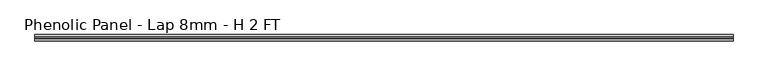
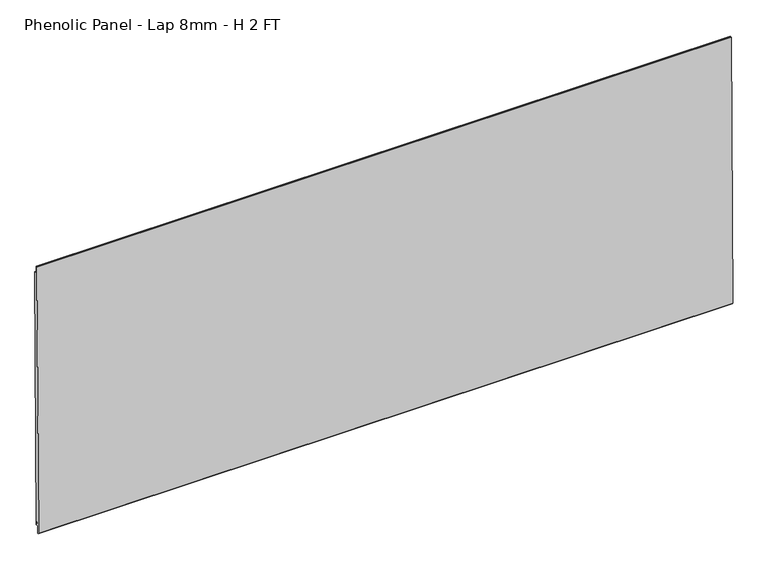
"""IFC4 building model written with IfcOpenShell, lengths in millimetres: proxy geometry, Phenolic Panel - Lap 8mm - H 2 FT."""

from ifc_helpers import new_model, si_unit, frame, origin, place, context, project, spatial, polyline, outline, extrude, source, transform, mapped, element, save


def phenolic_panel_lap_8mm_h_2_ft_e877b389(model_context):
    return source(origin(), model_context, "Body", "SweptSolid", [
        extrude(outline(polyline([(2.7732555, 593.6735917), (-2.7736212, 15.850215), (-5.1547614, 15.873073), (-5.0785681, 23.8102073), (-7.6581367, 23.8349701), (-7.8867168, 0.0235672), (-9.8571575, 0.0424827), (-10.8534851, 1.0581244), (-5.0211492, 608.618069), (-4.0055075, 609.6143966), (-2.6240021, 609.6011347), (-2.7763888, 593.7268661), (2.7732555, 593.6735917)])), frame((-290.5125, 0.0, 0.0), z_axis=(1.0, 0.0, 0.0), x_axis=(0.0, 1.0, 0.0)), (0.0, 0.0, 1.0), 1509.7125),
    ])


if __name__ == "__main__":
    model = new_model("IFC4")
    model_context = context("Model", 3, world=origin())
    ifc_project = project(units=[si_unit("LENGTHUNIT", "METRE", prefix="MILLI")], contexts=[model_context])
    site = spatial("IfcSite", under=ifc_project)
    building = spatial("IfcBuilding", under=site)
    placement = place(None, origin())
    phenolic_panel_lap_8mm_h_2_ft_shape = phenolic_panel_lap_8mm_h_2_ft_e877b389(model_context)
    element("IfcBuildingElementProxy", 1, Name="Phenolic Panel - Lap 8mm - H 2 FT", ObjectType="Phenolic Panel - Lap 8mm - H 2 FT", at=placement, inside=building, context=model_context, shape_type="MappedRepresentation", body=[
        mapped(phenolic_panel_lap_8mm_h_2_ft_shape, transform((0.0, 0.0, 0.0), x_axis=(1.0, 0.0, 0.0), y_axis=(0.0, 1.0, 0.0), z_axis=(0.0, 0.0, 1.0))),
    ])
    save(model, "model.ifc")
